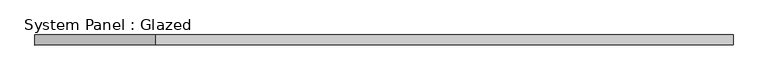
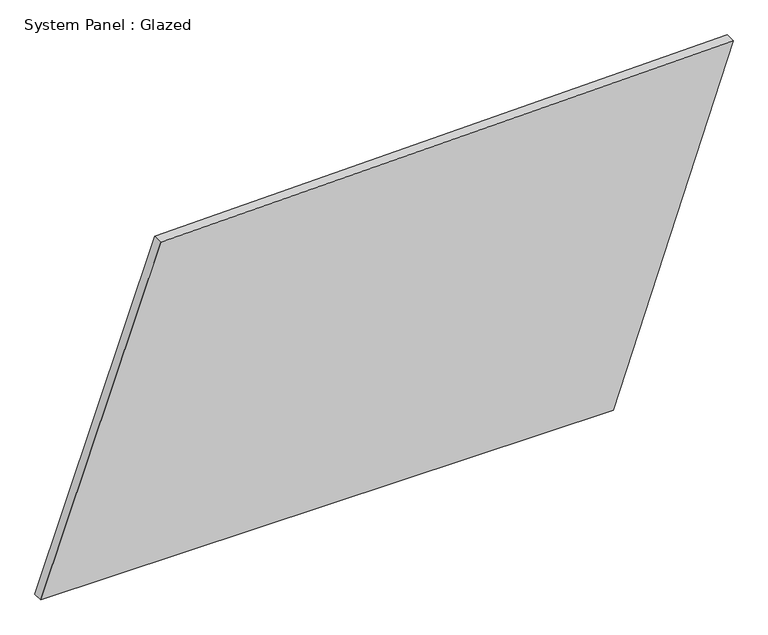
"""IFC4 building model written with IfcOpenShell, lengths in millimetres: plate geometry, System Panel : Glazed."""

from ifc_helpers import new_model, si_unit, frame, origin, place, context, project, spatial, polyline, outline, extrude, source, transform, mapped, element, save


def system_panel_glazed_ffc3be5a(model_context):
    return source(origin(), model_context, "Body", "SweptSolid", [
        extrude(outline(polyline([(0.0, -868.1043671), (0.0, 568.1393999), (874.7471011, 868.1043671), (842.9931935, -567.5706122), (0.0, -868.1043671)])), frame((0.0, -49.5, 0.0), z_axis=(0.0, 1.0, 0.0), x_axis=(0.0, 0.0, 1.0)), (0.0, 0.0, 1.0), 25.0),
    ])


if __name__ == "__main__":
    model = new_model("IFC4")
    model_context = context("Model", 3, world=origin())
    ifc_project = project(units=[si_unit("LENGTHUNIT", "METRE", prefix="MILLI")], contexts=[model_context])
    site = spatial("IfcSite", under=ifc_project)
    building = spatial("IfcBuilding", under=site)
    placement = place(None, origin())
    system_panel_glazed_shape = system_panel_glazed_ffc3be5a(model_context)
    element("IfcPlate", 1, ObjectType="System Panel : Glazed", at=placement, inside=building, context=model_context, shape_type="MappedRepresentation", body=[
        mapped(system_panel_glazed_shape, transform((0.0, 0.0, 0.0), x_axis=(1.0, 0.0, 0.0), y_axis=(0.0, 1.0, 0.0), z_axis=(0.0, 0.0, 1.0))),
    ])
    save(model, "model.ifc")
